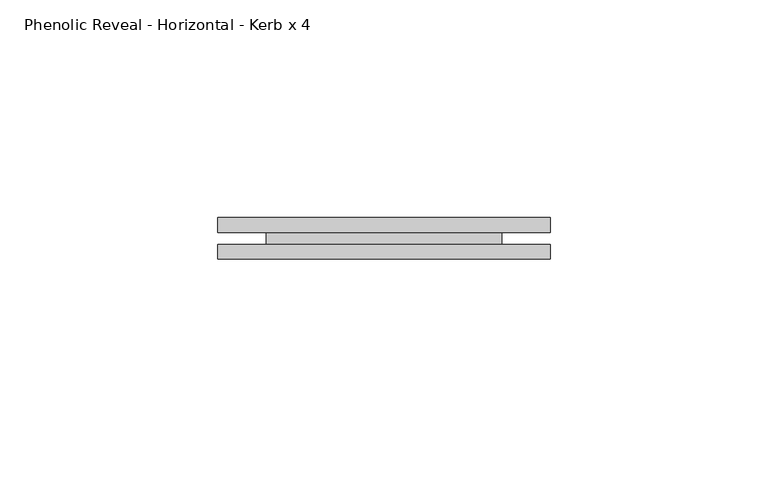
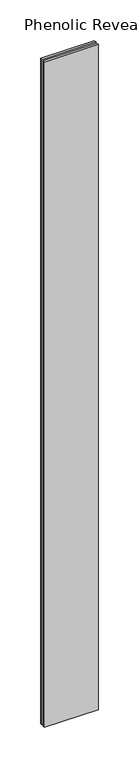
"""IFC4 building model written with IfcOpenShell, lengths in millimetres: proxy geometry, Phenolic Reveal - Horizontal - Kerb x 4."""

from ifc_helpers import new_model, si_unit, origin, place, context, project, spatial, faceted_brep, source, transform, mapped, element, save


def phenolic_reveal_horizontal_kerb_x_4_3e9f06df(model_context):
    return source(origin(), model_context, "Body", "Brep", [
        faceted_brep([(76.2, 9.525, 1000.125), (76.2, 6.0765851, 1000.125), (76.2, 6.0765851, 0.0), (76.2, 9.525, 0.0), (76.2, 3.3757545, 0.0), (76.2, 3.3757545, 1000.125), (76.2, 0.0, 1000.125), (76.2, 0.0, 0.0), (0.0, 9.525, 1000.125), (0.0, 9.525, 0.0), (0.0, 6.0765851, 0.0), (0.0, 6.0765851, 1000.125), (0.0, 3.3757545, 1000.125), (0.0, 3.3757545, 0.0), (0.0, 0.0, 0.0), (0.0, 0.0, 1000.125), (65.0875, 6.0765851, 989.2841015), (65.0875, 6.0765851, 10.8408985), (11.1125, 6.0765851, 10.8408985), (11.1125, 6.0765851, 989.2841015), (11.1125, 3.3757545, 989.2841015), (65.0875, 3.3757545, 989.2841015), (11.1125, 3.3757545, 10.8408985), (65.0875, 3.3757545, 10.8408985)], [[[0, 1, 2, 3]], [[4, 5, 6, 7]], [[8, 9, 10, 11]], [[12, 13, 14, 15]], [[11, 1, 0, 8]], [[2, 1, 11, 10], [16, 17, 18, 19]], [[16, 19, 20, 21]], [[5, 4, 13, 12], [20, 22, 23, 21]], [[6, 5, 12, 15]], [[7, 6, 15, 14]], [[13, 4, 7, 14]], [[23, 22, 18, 17]], [[3, 2, 10, 9]], [[0, 3, 9, 8]], [[21, 23, 17, 16]], [[22, 20, 19, 18]]]),
    ])


if __name__ == "__main__":
    model = new_model("IFC4")
    model_context = context("Model", 3, world=origin())
    ifc_project = project(units=[si_unit("LENGTHUNIT", "METRE", prefix="MILLI")], contexts=[model_context])
    site = spatial("IfcSite", under=ifc_project)
    building = spatial("IfcBuilding", under=site)
    placement = place(None, origin())
    phenolic_reveal_horizontal_kerb_x_4_shape = phenolic_reveal_horizontal_kerb_x_4_3e9f06df(model_context)
    element("IfcBuildingElementProxy", 1, Name="Phenolic Reveal - Horizontal - Kerb x 4", ObjectType="Phenolic Reveal - Horizontal - Kerb x 4", at=placement, inside=building, context=model_context, shape_type="MappedRepresentation", body=[
        mapped(phenolic_reveal_horizontal_kerb_x_4_shape, transform((0.0, 0.0, 0.0), x_axis=(1.0, 0.0, 0.0), y_axis=(0.0, 1.0, 0.0), z_axis=(0.0, 0.0, 1.0))),
    ])
    save(model, "model.ifc")
